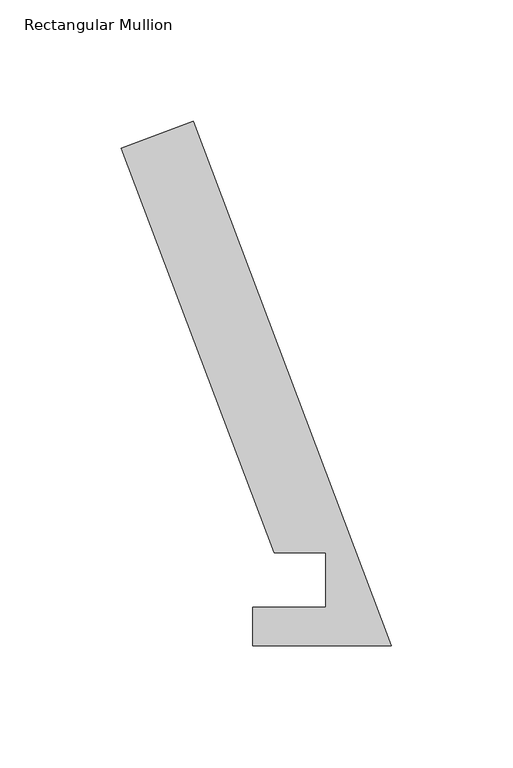
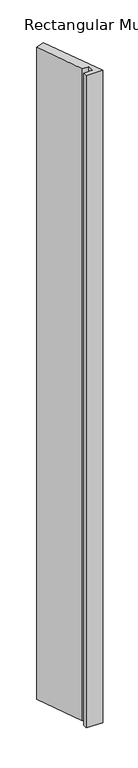
"""IFC4 building model written with IfcOpenShell, lengths in millimetres: member geometry, Rectangular Mullion."""

from ifc_helpers import new_model, si_unit, frame, origin, place, context, project, spatial, polyline, outline, extrude, source, transform, mapped, element, save


def rectangular_mullion_fa19e797(model_context):
    return source(origin(), model_context, "Body", "SweptSolid", [
        extrude(outline(polyline([(0.0, 0.0380112), (-57.2922169, 0.0380112), (-57.2922169, 15.9130112), (-27.171167, 15.9130112), (-27.1188377, 38.4070265), (-48.4318773, 38.386739), (-111.4308257, 205.1086181), (-81.7304777, 216.3314444), (0.0, 0.0380112)])), frame((0.0, 0.0, -2405.5604059), z_axis=(0.0, 0.0, 1.0), x_axis=(1.0, 0.0, 0.0)), (0.0, 0.0, 1.0), 2405.5604059),
    ])


if __name__ == "__main__":
    model = new_model("IFC4")
    model_context = context("Model", 3, world=origin())
    ifc_project = project(units=[si_unit("LENGTHUNIT", "METRE", prefix="MILLI")], contexts=[model_context])
    site = spatial("IfcSite", under=ifc_project)
    building = spatial("IfcBuilding", under=site)
    placement = place(None, origin())
    rectangular_mullion_shape = rectangular_mullion_fa19e797(model_context)
    element("IfcMember", 1, ObjectType="Rectangular Mullion", at=placement, inside=building, context=model_context, shape_type="MappedRepresentation", body=[
        mapped(rectangular_mullion_shape, transform((0.0, 0.0, 0.0), x_axis=(1.0, 0.0, 0.0), y_axis=(0.0, 1.0, 0.0), z_axis=(0.0, 0.0, 1.0))),
    ])
    save(model, "model.ifc")
